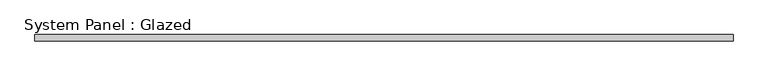
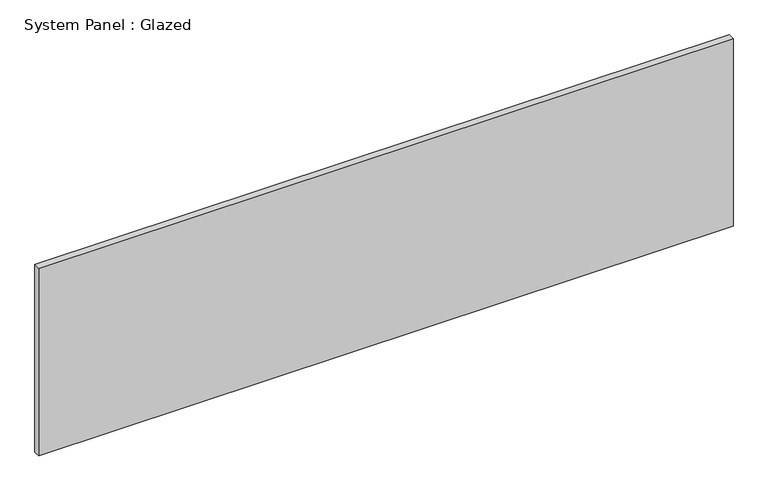
"""IFC4 building model written with IfcOpenShell, lengths in millimetres: plate geometry, System Panel : Glazed."""

import ifcopenshell
import ifcopenshell.guid

model = None  # the IFC model being written
_history = None  # IfcOwnerHistory: only IFC2X3 demands one
_inside = {}  # id of a spatial element -> (the spatial element, [elements in it])
_under = {}  # id of a project, library or spatial element -> (it, [spatial elements below it])
_declared = {}  # id of a project -> (the project, [libraries it declares])
_typed = {}  # id of a type object -> (the type object, [elements of that type])
_made_of = {}  # id of a material, layer set ... -> (it, [elements and type objects made of it])


def new_model(schema):
    """Start an empty IFC model of exactly this schema.

    Asked for "IFC4X3", IfcOpenShell would pick the latest addendum, in which some entities
    have other attributes; the version numbers below select the first issue.
    IFC2X3 requires an IfcOwnerHistory on every rooted entity: one is made here for all.
    """
    global model, _history
    if schema == "IFC4X3":
        model = ifcopenshell.file(schema_version=(4, 3, 0, 0))
    else:
        model = ifcopenshell.file(schema=schema)
    _inside.clear()
    _under.clear()
    _declared.clear()
    _typed.clear()
    _made_of.clear()
    _history = None
    if model.schema == "IFC2X3":
        org = make("IfcOrganization", Name="unknown")
        user = make(
            "IfcPersonAndOrganization",
            ThePerson=make("IfcPerson", FamilyName="unknown"),
            TheOrganization=org,
        )
        app = make(
            "IfcApplication",
            ApplicationDeveloper=org,
            Version="unknown",
            ApplicationFullName="unknown",
            ApplicationIdentifier="unknown",
        )
        _history = make(
            "IfcOwnerHistory",
            OwningUser=user,
            OwningApplication=app,
            ChangeAction="ADDED",
            CreationDate=0,
        )
    return model


def make(cls, **values):
    """One entity of the class cls with the attributes given. An attribute that is None is left unset."""
    return model.create_entity(
        cls, **{name: value for name, value in values.items() if value is not None}
    )


def rooted(cls, **values):
    """An entity with a GlobalId (a new one), such as an element, a storey or a relation."""
    return make(cls, GlobalId=ifcopenshell.guid.new(), OwnerHistory=_history, **values)


def si_unit(unit_type, name, prefix=None):
    """IfcSIUnit, for example si_unit("LENGTHUNIT", "METRE", prefix="MILLI")."""
    return make("IfcSIUnit", UnitType=unit_type, Prefix=prefix, Name=name)


def assignment(units):
    """IfcUnitAssignment: the units of a project."""
    return None if units is None else make("IfcUnitAssignment", Units=units)


def point(xyz):
    """IfcCartesianPoint."""
    return None if xyz is None else make("IfcCartesianPoint", Coordinates=xyz)


def direction(xyz):
    """IfcDirection."""
    return None if xyz is None else make("IfcDirection", DirectionRatios=xyz)


def frame(location, z_axis=None, x_axis=None):
    """IfcAxis2Placement3D, a coordinate frame: its origin and axes. An axis left out is left unset."""
    return make(
        "IfcAxis2Placement3D",
        Location=point(location),
        Axis=direction(z_axis),
        RefDirection=direction(x_axis),
    )


def origin():
    """The frame at (0, 0, 0) with its axes left unset."""
    return frame((0.0, 0.0, 0.0))


def origin_with_axes():
    """The frame at (0, 0, 0) with the z axis (0, 0, 1) and the x axis (1, 0, 0) written out."""
    return frame((0.0, 0.0, 0.0), z_axis=(0.0, 0.0, 1.0), x_axis=(1.0, 0.0, 0.0))


def place(relative_to, where):
    """IfcLocalPlacement: puts the frame where relative to a parent placement (None: the world)."""
    return make(
        "IfcLocalPlacement", PlacementRelTo=relative_to, RelativePlacement=where
    )


def context(
    kind, dimensions, precision=None, world=None, true_north=None, identifier=None
):
    """IfcGeometricRepresentationContext, for example the 3D "Model" context."""
    return make(
        "IfcGeometricRepresentationContext",
        ContextIdentifier=identifier,
        ContextType=kind,
        CoordinateSpaceDimension=dimensions,
        Precision=precision,
        WorldCoordinateSystem=world,
        TrueNorth=true_north,
    )


def project(units=None, contexts=None):
    """IfcProject with its units and contexts."""
    return rooted(
        "IfcProject",
        Name="project",
        RepresentationContexts=contexts,
        UnitsInContext=assignment(units),
    )


def spatial(cls, under=None, at=None, **own):
    """A site, building, storey or space (cls), placed at a placement, below another one or the project."""
    s = rooted(cls, ObjectPlacement=at, **own)
    if under is not None:
        _under.setdefault(under.id(), (under, []))[1].append(s)
    return s


def polyline(points):
    """IfcPolyline through the points."""
    return make("IfcPolyline", Points=[point(p) for p in points])


def outline(outer, holes=None, kind="AREA"):
    """IfcArbitraryClosedProfileDef: a profile drawn as a closed curve; with holes, ...WithVoids."""
    if holes is None:
        return make("IfcArbitraryClosedProfileDef", ProfileType=kind, OuterCurve=outer)
    return make(
        "IfcArbitraryProfileDefWithVoids",
        ProfileType=kind,
        OuterCurve=outer,
        InnerCurves=holes,
    )


def extrude(swept, where, along, depth):
    """IfcExtrudedAreaSolid: the profile swept, set in the frame where, extruded along a direction by depth."""
    return make(
        "IfcExtrudedAreaSolid",
        SweptArea=swept,
        Position=where,
        ExtrudedDirection=direction(along),
        Depth=depth,
    )


def shape(context_of_items, identifier, shape_type, items):
    """IfcShapeRepresentation: the items that make up one representation, for example the "Body"."""
    return make(
        "IfcShapeRepresentation",
        ContextOfItems=context_of_items,
        RepresentationIdentifier=identifier,
        RepresentationType=shape_type,
        Items=items,
    )


def source(mapping_origin, context_of_items, identifier, shape_type, items):
    """IfcRepresentationMap: a shape defined once, which mapped items show again and again."""
    return make(
        "IfcRepresentationMap",
        MappingOrigin=mapping_origin,
        MappedRepresentation=shape(context_of_items, identifier, shape_type, items),
    )


def transform(
    local_origin,
    x_axis=None,
    y_axis=None,
    z_axis=None,
    scale=None,
    scale2=None,
    scale3=None,
    uniform=True,
):
    """IfcCartesianTransformationOperator3D, or its non-uniform kind. x_axis, y_axis, z_axis: its Axis1, 2, 3."""
    if uniform:
        return make(
            "IfcCartesianTransformationOperator3D",
            Axis1=direction(x_axis),
            Axis2=direction(y_axis),
            LocalOrigin=point(local_origin),
            Scale=scale,
            Axis3=direction(z_axis),
        )
    return make(
        "IfcCartesianTransformationOperator3DnonUniform",
        Axis1=direction(x_axis),
        Axis2=direction(y_axis),
        LocalOrigin=point(local_origin),
        Scale=scale,
        Axis3=direction(z_axis),
        Scale2=scale2,
        Scale3=scale3,
    )


def mapped(mapping_source, mapping_target):
    """IfcMappedItem: shows the shape of a source again, moved by a transform."""
    return make(
        "IfcMappedItem", MappingSource=mapping_source, MappingTarget=mapping_target
    )


def made_of(thing, what):
    """Note that an element or type object is made of a material, layer set ...; save() writes the relation."""
    if what is not None:
        _made_of.setdefault(what.id(), (what, []))[1].append(thing)
    return thing


def element(
    cls,
    number,
    at=None,
    inside=None,
    cuts=None,
    type_object=None,
    material=None,
    context=None,
    identifier="Body",
    shape_type=None,
    held_by="IfcProductDefinitionShape",
    body=None,
    shapes=None,
    **own,
):
    """One element of the class cls, such as IfcWall. Its Tag is "e" and its number.

    at: its placement. inside: the storey or other place that contains it. cuts: it is an
    opening in that element (IfcRelVoidsElement). A single representation is given by context,
    identifier, shape_type and body (its items); several are given by shapes. held_by: the class
    of the entity that holds the representations. save() writes the other relations.
    """
    e = rooted(cls, Tag="e%d" % number, ObjectPlacement=at, **own)
    if body is not None:
        shapes = [shape(context, identifier, shape_type, body)]
    if shapes is not None:
        e.Representation = make(held_by, Representations=shapes)
    if inside is not None:
        _inside.setdefault(inside.id(), (inside, []))[1].append(e)
    if cuts is not None:
        rooted(
            "IfcRelVoidsElement", RelatingBuildingElement=cuts, RelatedOpeningElement=e
        )
    if type_object is not None:
        _typed.setdefault(type_object.id(), (type_object, []))[1].append(e)
    return made_of(e, material)


def aggregate(whole, parts):
    """IfcRelAggregates: a whole, such as a stair, and the parts it consists of."""
    return rooted("IfcRelAggregates", RelatingObject=whole, RelatedObjects=parts)


def save(model, path):
    """Write the relations noted so far, then the file.

    IfcRelAggregates (storeys below a building ...), IfcRelContainedInSpatialStructure (elements
    in a storey), IfcRelDefinesByType, IfcRelAssociatesMaterial and IfcRelDeclares: one each for
    every whole, place, type object, material and project.
    """
    for whole, parts in _under.values():
        aggregate(whole, parts)
    for where, things in _inside.values():
        rooted(
            "IfcRelContainedInSpatialStructure",
            RelatedElements=things,
            RelatingStructure=where,
        )
    for kind, things in _typed.values():
        rooted("IfcRelDefinesByType", RelatedObjects=things, RelatingType=kind)
    for what, things in _made_of.values():
        rooted("IfcRelAssociatesMaterial", RelatedObjects=things, RelatingMaterial=what)
    for by, libraries in _declared.values():
        rooted("IfcRelDeclares", RelatingContext=by, RelatedDefinitions=libraries)
    model.write(path)


def system_panel_glazed_552069db(model_context):
    return source(origin(), model_context, "Body", "SweptSolid", [
        extrude(outline(polyline([(1400.0, 19.05), (-1400.0, 19.05), (-1400.0, 44.45), (1400.0, 44.45), (1400.0, 19.05)])), origin_with_axes(), (0.0, 0.0, 1.0), 800.0),
    ])


if __name__ == "__main__":
    model = new_model("IFC4")
    model_context = context("Model", 3, world=origin())
    ifc_project = project(units=[si_unit("LENGTHUNIT", "METRE", prefix="MILLI")], contexts=[model_context])
    site = spatial("IfcSite", under=ifc_project)
    building = spatial("IfcBuilding", under=site)
    placement = place(None, origin())
    system_panel_glazed_shape = system_panel_glazed_552069db(model_context)
    element("IfcPlate", 1, ObjectType="System Panel : Glazed", at=placement, inside=building, context=model_context, shape_type="MappedRepresentation", body=[
        mapped(system_panel_glazed_shape, transform((0.0, 0.0, 0.0), x_axis=(1.0, 0.0, 0.0), y_axis=(0.0, 1.0, 0.0), z_axis=(0.0, 0.0, 1.0))),
    ])
    save(model, "model.ifc")
